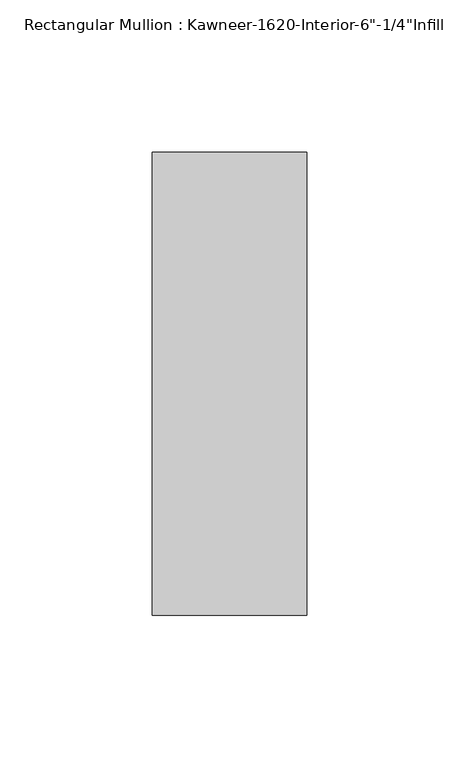
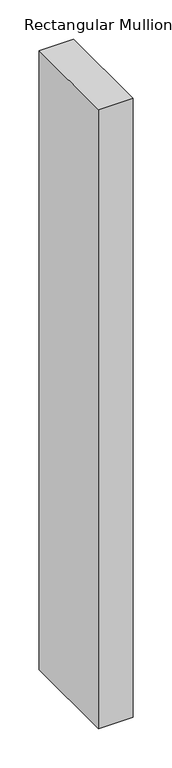
"""IFC4 building model written with IfcOpenShell, lengths in millimetres: member geometry."""

from ifc_helpers import new_model, si_unit, frame, origin, place, context, project, spatial, polyline, outline, extrude, source, transform, mapped, element, save


def member_fa16a418(model_context):
    return source(origin(), model_context, "Body", "SweptSolid", [
        extrude(outline(polyline([(25.4, 123.825), (25.4, -28.575), (-25.4, -28.575), (-25.4, 123.825), (25.4, 123.825)])), frame((0.0, 0.0, -965.1516036), z_axis=(0.0, 0.0, 1.0), x_axis=(1.0, 0.0, 0.0)), (0.0, 0.0, 1.0), 965.1516036),
    ])


if __name__ == "__main__":
    model = new_model("IFC4")
    model_context = context("Model", 3, world=origin())
    ifc_project = project(units=[si_unit("LENGTHUNIT", "METRE", prefix="MILLI")], contexts=[model_context])
    site = spatial("IfcSite", under=ifc_project)
    building = spatial("IfcBuilding", under=site)
    placement = place(None, origin())
    member_shape = member_fa16a418(model_context)
    element("IfcMember", 1, ObjectType="Rectangular Mullion : Kawneer-1620-Interior-6\"-1/4\"Infill", at=placement, inside=building, context=model_context, shape_type="MappedRepresentation", body=[
        mapped(member_shape, transform((0.0, 0.0, 0.0), x_axis=(1.0, 0.0, 0.0), y_axis=(0.0, 1.0, 0.0), z_axis=(0.0, 0.0, 1.0))),
    ])
    save(model, "model.ifc")
